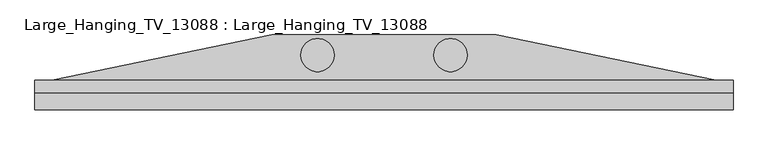
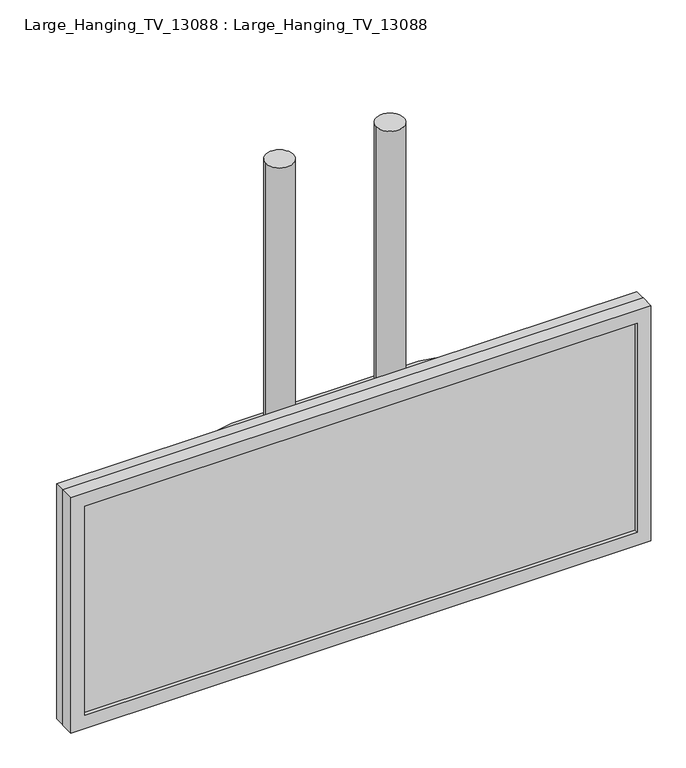
"""IFC4 building model written with IfcOpenShell, lengths in millimetres: furniture geometry, Large_Hanging_TV_13088 : Large_Hanging_TV_13088."""

from ifc_helpers import new_model, si_unit, point, frame, frame_2d, origin, place, context, project, spatial, polyline, circle_curve, trimmed, segment, composite_curve, outline, extrude, source, transform, mapped, element, save


def large_hanging_tv_13088_large_hanging_tv_13088_d0a08a94(model_context):
    return source(origin(), model_context, "Body", "SweptSolid", [
        extrude(outline(composite_curve([segment(trimmed(circle_curve(frame_2d((-786.211619, 319.2075279)), 50.8), [point((-837.011619, 319.2075279))], [point((-735.411619, 319.2075279))], False, "CARTESIAN"), True, "CONTINUOUS"), segment(trimmed(circle_curve(frame_2d((-786.211619, 319.2075279)), 50.8), [point((-735.411619, 319.2075279))], [point((-837.011619, 319.2075279))], False, "CARTESIAN"), True, "CONTINUOUS")], self_intersect=False)), frame((0.0, 0.0, 2032.0), z_axis=(0.0, 0.0, 1.0), x_axis=(1.0, 0.0, 0.0)), (0.0, 0.0, 1.0), 1016.0),
        extrude(outline(composite_curve([segment(trimmed(circle_curve(frame_2d((-379.811619, 319.2075279)), 50.8), [point((-430.611619, 319.2075279))], [point((-329.011619, 319.2075279))], False, "CARTESIAN"), True, "CONTINUOUS"), segment(trimmed(circle_curve(frame_2d((-379.811619, 319.2075279)), 50.8), [point((-329.011619, 319.2075279))], [point((-430.611619, 319.2075279))], False, "CARTESIAN"), True, "CONTINUOUS")], self_intersect=False)), frame((0.0, 0.0, 2032.0), z_axis=(0.0, 0.0, 1.0), x_axis=(1.0, 0.0, 0.0)), (0.0, 0.0, 1.0), 1016.0),
        extrude(outline(composite_curve([segment(trimmed(circle_curve(frame_2d((-583.011619, -3004.3834966)), 3402.6172965), [point((-1599.011619, 243.0075279))], [point((432.988381, 243.0075279))], False, "CARTESIAN"), True, "CONTINUOUS"), segment(polyline([(432.988381, 243.0075279), (-1599.011619, 243.0075279)]), True, "CONTINUOUS")], self_intersect=False)), frame((0.0, 0.0, 1295.4), z_axis=(0.0, 0.0, 1.0), x_axis=(1.0, 0.0, 0.0)), (0.0, 0.0, 1.0), 736.6),
        extrude(outline(polyline([(2133.6, 483.788381), (2133.6, -1649.811619), (1219.2, -1649.811619), (1219.2, 483.788381), (2133.6, 483.788381)]), holes=[polyline([(2082.8, 432.988381), (1270.0, 432.988381), (1270.0, -1599.011619), (2082.8, -1599.011619), (2082.8, 432.988381)])]), frame((0.0, 152.4, 0.0), z_axis=(0.0, 1.0, 0.0), x_axis=(0.0, 0.0, 1.0)), (0.0, 0.0, 1.0), 50.8),
        extrude(outline(polyline([(483.788381, 166.8075279), (-1649.811619, 166.8075279), (-1649.811619, 243.0075279), (483.788381, 243.0075279), (483.788381, 166.8075279)])), frame((0.0, 0.0, 1219.2), z_axis=(0.0, 0.0, 1.0), x_axis=(1.0, 0.0, 0.0)), (0.0, 0.0, 1.0), 914.4),
    ])


if __name__ == "__main__":
    model = new_model("IFC4")
    model_context = context("Model", 3, world=origin())
    ifc_project = project(units=[si_unit("LENGTHUNIT", "METRE", prefix="MILLI")], contexts=[model_context])
    site = spatial("IfcSite", under=ifc_project)
    building = spatial("IfcBuilding", under=site)
    placement = place(None, origin())
    large_hanging_tv_13088_large_hanging_tv_13088_shape = large_hanging_tv_13088_large_hanging_tv_13088_d0a08a94(model_context)
    element("IfcFurniture", 1, ObjectType="Large_Hanging_TV_13088 : Large_Hanging_TV_13088", at=placement, inside=building, context=model_context, shape_type="MappedRepresentation", body=[
        mapped(large_hanging_tv_13088_large_hanging_tv_13088_shape, transform((0.0, 0.0, 0.0), x_axis=(1.0, 0.0, 0.0), y_axis=(0.0, 1.0, 0.0), z_axis=(0.0, 0.0, 1.0))),
    ])
    save(model, "model.ifc")
